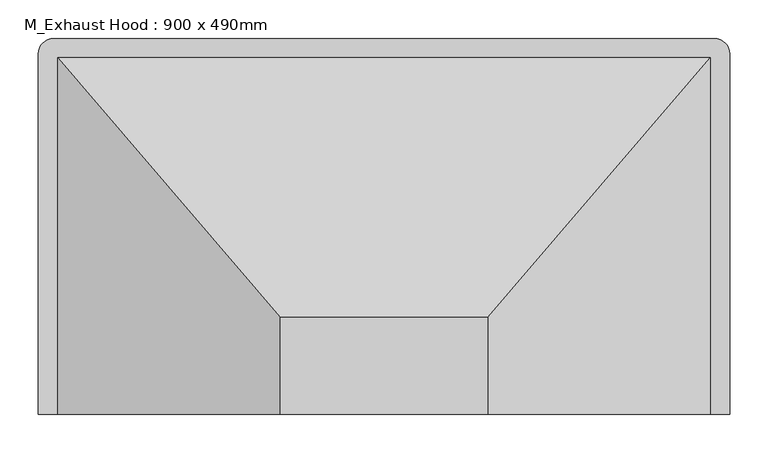
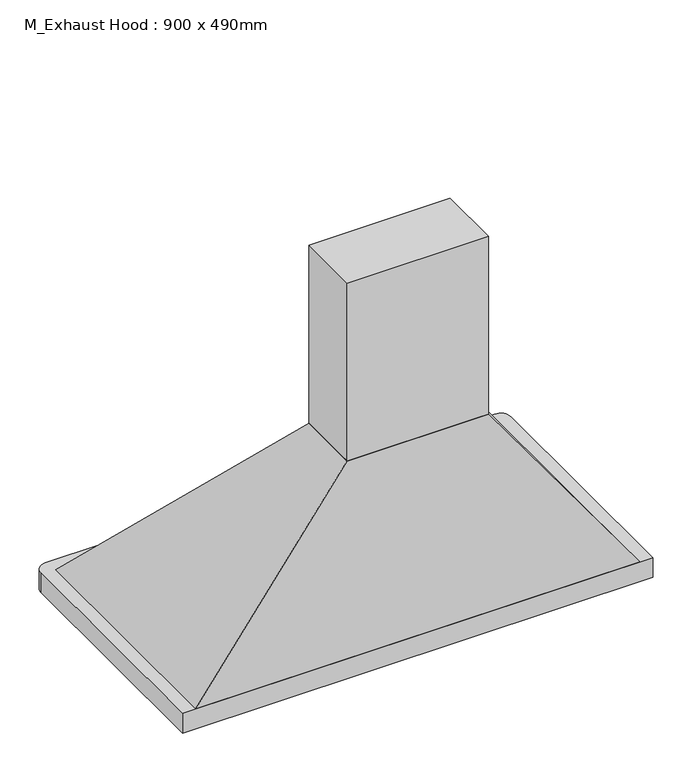
"""IFC4 building model written with IfcOpenShell, lengths in millimetres: proxy geometry, M_Exhaust Hood : 900 x 490mm."""

from ifc_helpers import new_model, si_unit, point, frame, frame_2d, origin, place, context, project, spatial, polyline, circle_curve, trimmed, segment, composite_curve, outline, extrude, faceted_brep, source, transform, mapped, element, save


def m_exhaust_hood_900_x_490mm_e6737f53(model_context):
    return source(origin(), model_context, "Body", "SolidModel", [
        faceted_brep([(-157.4217872, 226.2, 1840.0), (-157.4217872, 100.0, 1840.0), (112.5782128, 100.0, 1840.0), (112.5782128, 226.2, 1840.0), (-447.4217872, 565.0, 1440.0), (402.5782128, 565.0, 1440.0), (402.5782128, 100.0, 1440.0), (-447.4217872, 100.0, 1440.0)], [[[0, 1, 2, 3]], [[4, 5, 6, 7]], [[4, 7, 1, 0]], [[7, 6, 2, 1]], [[6, 5, 3, 2]], [[5, 4, 0, 3]]]),
        extrude(outline(polyline([(112.5782128, 226.2), (112.5782128, 100.0), (-157.4217872, 100.0), (-157.4217872, 226.2), (112.5782128, 226.2)])), frame((0.0, 0.0, 1840.0), z_axis=(0.0, 0.0, 1.0), x_axis=(1.0, 0.0, 0.0)), (0.0, 0.0, 1.0), 360.0),
        extrude(outline(composite_curve([segment(trimmed(circle_curve(frame_2d((407.5782128, 570.0)), 20.0), [point((407.5782128, 590.0))], [point((427.5782128, 570.0))], False, "CARTESIAN"), True, "CONTINUOUS"), segment(polyline([(427.5782128, 570.0), (427.5782128, 100.0), (-472.4217872, 100.0), (-472.4217872, 570.0)]), True, "CONTINUOUS"), segment(trimmed(circle_curve(frame_2d((-452.4217872, 570.0)), 20.0), [point((-472.4217872, 570.0))], [point((-452.4217872, 590.0))], False, "CARTESIAN"), True, "CONTINUOUS"), segment(polyline([(-452.4217872, 590.0), (407.5782128, 590.0)]), True, "CONTINUOUS")], self_intersect=False)), frame((0.0, 0.0, 1400.0), z_axis=(0.0, 0.0, 1.0), x_axis=(1.0, 0.0, 0.0)), (0.0, 0.0, 1.0), 40.0),
    ])


if __name__ == "__main__":
    model = new_model("IFC4")
    model_context = context("Model", 3, world=origin())
    ifc_project = project(units=[si_unit("LENGTHUNIT", "METRE", prefix="MILLI")], contexts=[model_context])
    site = spatial("IfcSite", under=ifc_project)
    building = spatial("IfcBuilding", under=site)
    placement = place(None, origin())
    m_exhaust_hood_900_x_490mm_shape = m_exhaust_hood_900_x_490mm_e6737f53(model_context)
    element("IfcBuildingElementProxy", 1, Name="M_Exhaust Hood : 900 x 490mm", ObjectType="M_Exhaust Hood : 900 x 490mm", at=placement, inside=building, context=model_context, shape_type="MappedRepresentation", body=[
        mapped(m_exhaust_hood_900_x_490mm_shape, transform((0.0, 0.0, 0.0), x_axis=(1.0, 0.0, 0.0), y_axis=(0.0, 1.0, 0.0), z_axis=(0.0, 0.0, 1.0))),
    ])
    save(model, "model.ifc")
